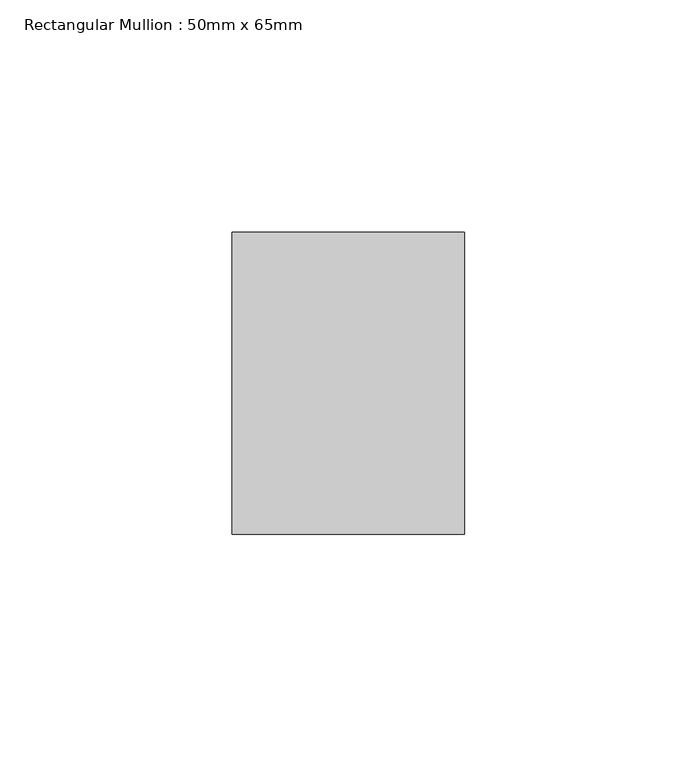
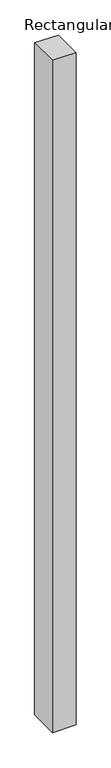
"""IFC4 building model written with IfcOpenShell, lengths in millimetres: member geometry, Rectangular Mullion : 50mm x 65mm."""

from ifc_helpers import new_model, si_unit, frame, origin, place, context, project, spatial, polyline, outline, extrude, source, transform, mapped, element, save


def rectangular_mullion_50mm_x_65mm_0970e872(model_context):
    return source(origin(), model_context, "Body", "SweptSolid", [
        extrude(outline(polyline([(-32.5, 0.1835717), (32.5, -0.1835715), (32.5, -1499.7336302), (-32.5, -1500.2665249), (-32.5, 0.1835717)])), frame((-25.0, 0.0, 0.0), z_axis=(1.0, 0.0, 0.0), x_axis=(0.0, 1.0, 0.0)), (0.0, 0.0, 1.0), 50.0),
    ])


if __name__ == "__main__":
    model = new_model("IFC4")
    model_context = context("Model", 3, world=origin())
    ifc_project = project(units=[si_unit("LENGTHUNIT", "METRE", prefix="MILLI")], contexts=[model_context])
    site = spatial("IfcSite", under=ifc_project)
    building = spatial("IfcBuilding", under=site)
    placement = place(None, origin())
    rectangular_mullion_50mm_x_65mm_shape = rectangular_mullion_50mm_x_65mm_0970e872(model_context)
    element("IfcMember", 1, ObjectType="Rectangular Mullion : 50mm x 65mm", at=placement, inside=building, context=model_context, shape_type="MappedRepresentation", body=[
        mapped(rectangular_mullion_50mm_x_65mm_shape, transform((0.0, 0.0, 0.0), x_axis=(1.0, 0.0, 0.0), y_axis=(0.0, 1.0, 0.0), z_axis=(0.0, 0.0, 1.0))),
    ])
    save(model, "model.ifc")
